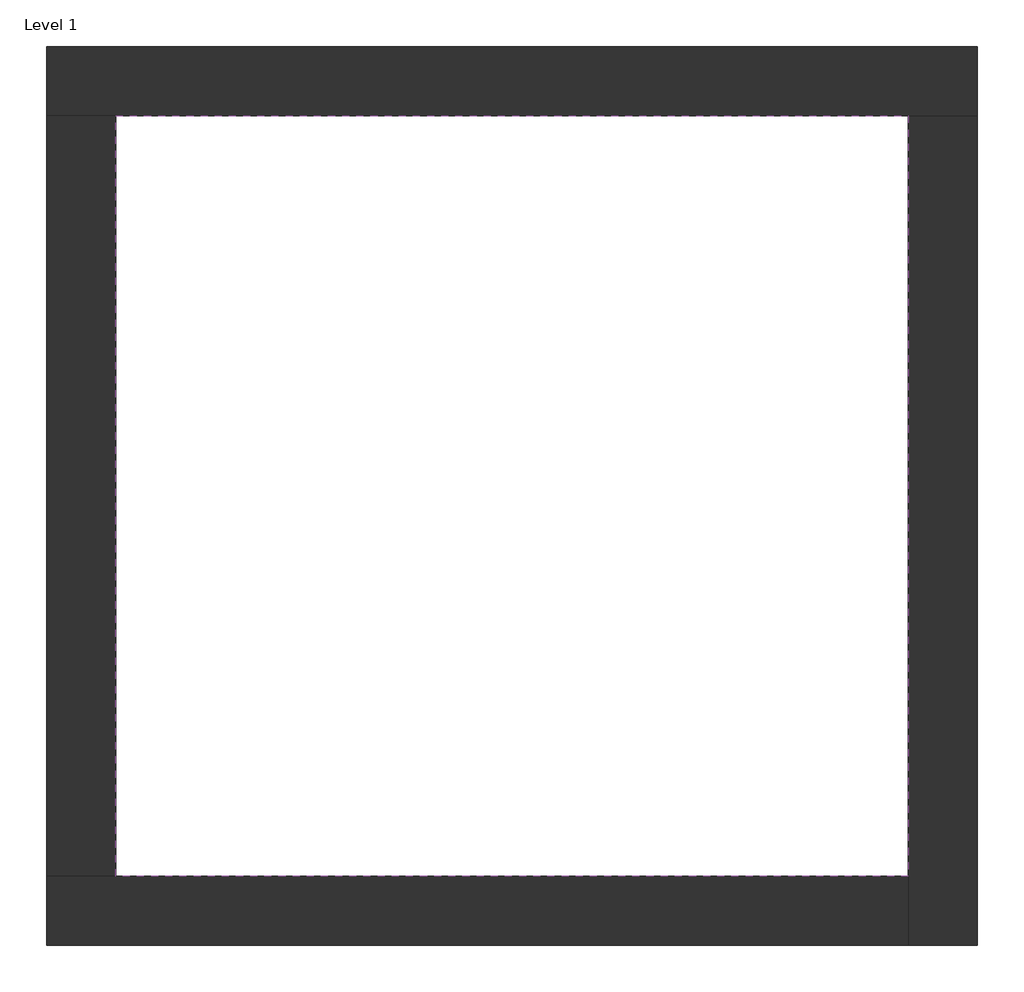
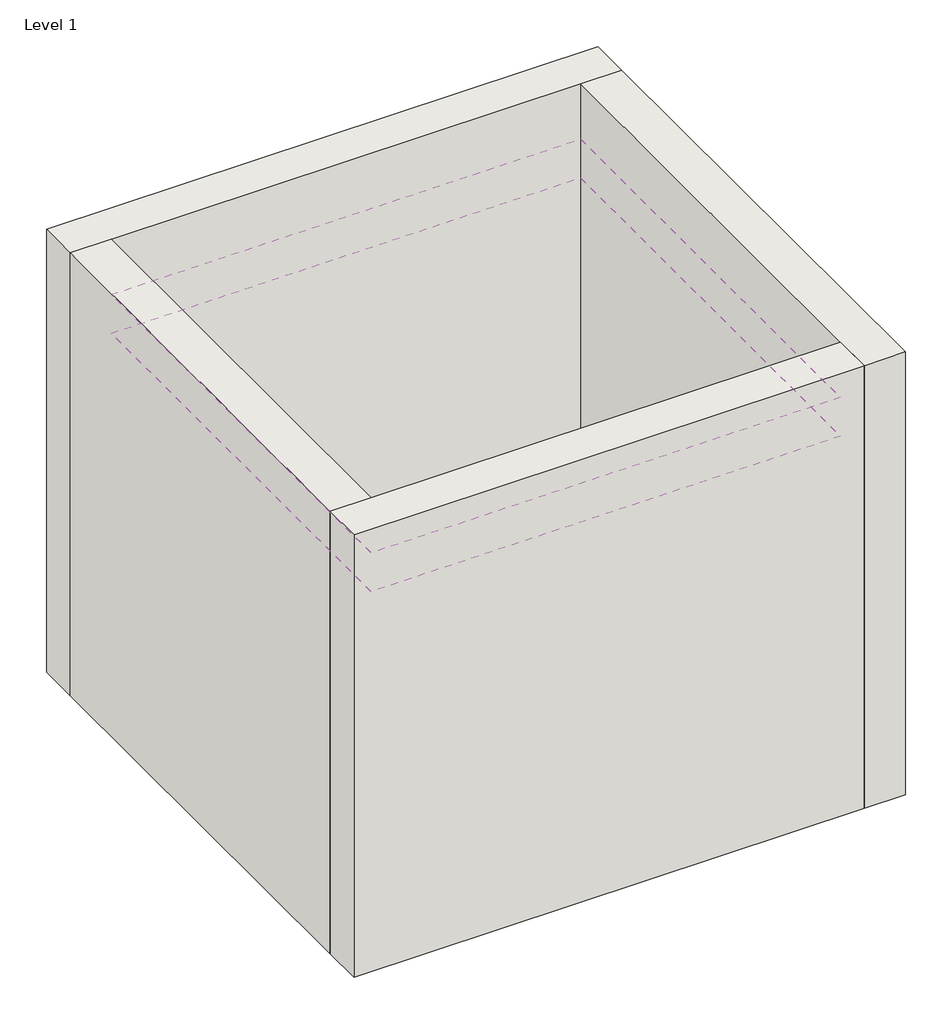
# One storey: 4 walls, 2 coverings.
"""IFC4 building model written with IfcOpenShell, lengths in millimetres."""

from ifc_helpers import new_model, si_unit, frame, origin, origin_with_axes, place, context, project, spatial, polyline, outline, extrude, faceted_brep, element, save

model = new_model("IFC4")

# Units and contexts
model_context = context("Model", 3, world=origin())
ifc_project = project(units=[si_unit("LENGTHUNIT", "METRE", prefix="MILLI")], contexts=[model_context])

# Site, building, storey
site = spatial("IfcSite", under=ifc_project)
building = spatial("IfcBuilding", under=site)
storey = spatial("IfcBuildingStorey", under=building, Name="Level 1", Elevation=0.0)

# Coverings
placement = place(None, origin())
element("IfcCovering", 1, at=placement, inside=storey, context=model_context, shape_type="SweptSolid", body=[
    extrude(outline(polyline([(-14894.8573003, 6921.2750283), (-10882.3573003, 6921.2750283), (-10882.3573003, 3071.2750283), (-14894.8573003, 3071.2750283), (-14894.8573003, 6921.2750283)])), frame((0.0, 0.0, 3500.0), z_axis=(0.0, 0.0, 1.0), x_axis=(1.0, 0.0, 0.0)), (0.0, 0.0, 1.0), 221.5),
])
element("IfcCovering", 2, at=placement, inside=storey, context=model_context, shape_type="SweptSolid", body=[
    extrude(outline(polyline([(-14894.8573003, 6921.2750283), (-10882.3573003, 6921.2750283), (-10882.3573003, 3071.2750283), (-14894.8573003, 3071.2750283), (-14894.8573003, 6921.2750283)])), frame((0.0, 0.0, 3150.0), z_axis=(0.0, 0.0, 1.0), x_axis=(1.0, 0.0, 0.0)), (0.0, 0.0, 1.0), 221.5),
])

# Walls
element("IfcWall", 3, ObjectType="Exterior - Brick on Mtl. Stud", at=placement, inside=storey, context=model_context, shape_type="Brep", body=[
    faceted_brep([(-15244.8573003, 6921.2750283, 0.0), (-14894.8573003, 6921.2750283, 0.0), (-10882.3573003, 6921.2750283, 0.0), (-10532.3573003, 6921.2750283, 0.0), (-10532.3573003, 6921.2750283, 4000.0), (-10882.3573003, 6921.2750283, 4000.0), (-14894.8573003, 6921.2750283, 4000.0), (-15244.8573003, 6921.2750283, 4000.0), (-15244.8573003, 7271.2750283, 0.0), (-15244.8573003, 7271.2750283, 4000.0), (-10532.3573003, 7271.2750283, 4000.0), (-10532.3573003, 7271.2750283, 0.0)], [[[0, 1, 2, 3, 4, 5, 6, 7]], [[8, 9, 10, 11]], [[3, 2, 1, 0, 8, 11]], [[7, 6, 5, 4, 10, 9]], [[0, 7, 9, 8]], [[4, 3, 11, 10]]]),
])
element("IfcWall", 4, ObjectType="Exterior - Brick on Mtl. Stud", at=placement, inside=storey, context=model_context, shape_type="Brep", body=[
    faceted_brep([(-10882.3573003, 6921.2750283, 0.0), (-10882.3573003, 3071.2750283, 0.0), (-10882.3573003, 2721.2750283, 0.0), (-10882.3573003, 2721.2750283, 4000.0), (-10882.3573003, 3071.2750283, 4000.0), (-10882.3573003, 6921.2750283, 4000.0), (-10532.3573003, 6921.2750283, 0.0), (-10532.3573003, 6921.2750283, 4000.0), (-10532.3573003, 2721.2750283, 4000.0), (-10532.3573003, 2721.2750283, 0.0)], [[[0, 1, 2, 3, 4, 5]], [[6, 7, 8, 9]], [[2, 1, 0, 6, 9]], [[5, 4, 3, 8, 7]], [[3, 2, 9, 8]], [[0, 5, 7, 6]]]),
])
element("IfcWall", 5, ObjectType="Exterior - Brick on Mtl. Stud", at=placement, inside=storey, context=model_context, shape_type="Brep", body=[
    faceted_brep([(-10882.3573003, 3071.2750283, 0.0), (-14894.8573003, 3071.2750283, 0.0), (-15244.8573003, 3071.2750283, 0.0), (-15244.8573003, 3071.2750283, 4000.0), (-14894.8573003, 3071.2750283, 4000.0), (-10882.3573003, 3071.2750283, 4000.0), (-10882.3573003, 2721.2750283, 0.0), (-10882.3573003, 2721.2750283, 4000.0), (-15244.8573003, 2721.2750283, 4000.0), (-15244.8573003, 2721.2750283, 0.0)], [[[0, 1, 2, 3, 4, 5]], [[6, 7, 8, 9]], [[2, 1, 0, 6, 9]], [[5, 4, 3, 8, 7]], [[3, 2, 9, 8]], [[0, 5, 7, 6]]]),
])
element("IfcWall", 6, ObjectType="Exterior - Brick on Mtl. Stud", at=placement, inside=storey, context=model_context, shape_type="SweptSolid", body=[
    extrude(outline(polyline([(-14894.8573003, 6921.2750283), (-14894.8573003, 3071.2750283), (-15244.8573003, 3071.2750283), (-15244.8573003, 6921.2750283), (-14894.8573003, 6921.2750283)])), origin_with_axes(), (0.0, 0.0, 1.0), 4000.0),
])

save(model, "model.ifc")
